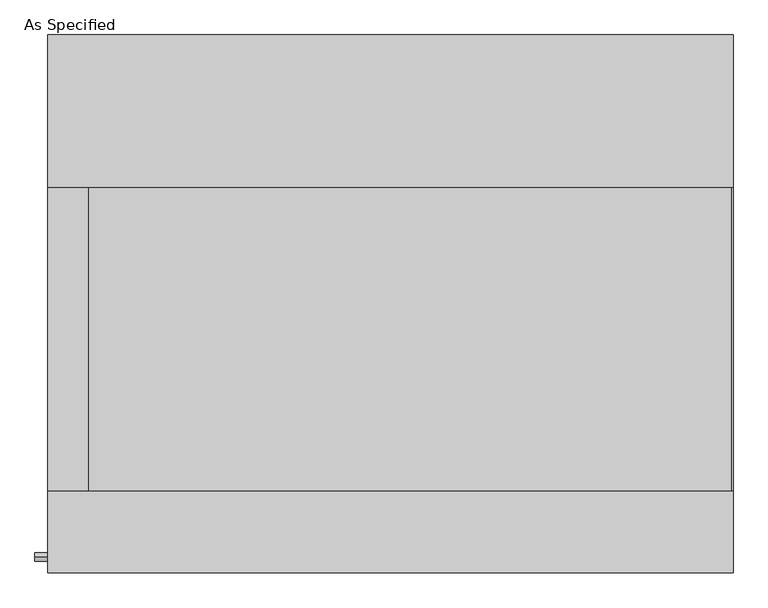
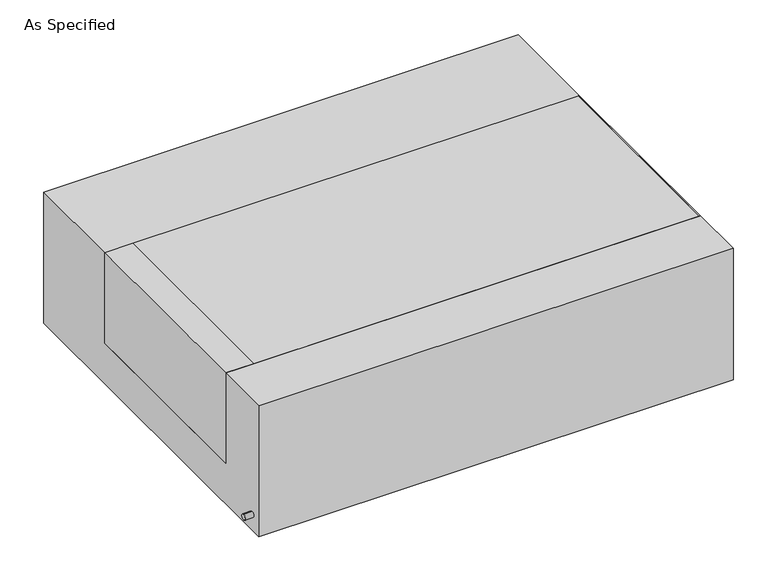
"""IFC4 building model written with IfcOpenShell, lengths in millimetres: proxy geometry, As Specified."""

from ifc_helpers import new_model, si_unit, point, frame, frame_2d, origin, place, context, project, spatial, polyline, circle_curve, trimmed, segment, composite_curve, outline, extrude, source, transform, mapped, element, save


def as_specified_5b241dd0(model_context):
    return source(origin(), model_context, "Body", "SweptSolid", [
        extrude(outline(composite_curve([segment(trimmed(circle_curve(frame_2d((-636.5875, -466.725)), 10.5), [point((-636.5875, -456.225))], [point((-636.5875, -477.225))], False, "CARTESIAN"), True, "CONTINUOUS"), segment(trimmed(circle_curve(frame_2d((-636.5875, -466.725)), 10.5), [point((-636.5875, -477.225))], [point((-636.5875, -456.225))], False, "CARTESIAN"), True, "CONTINUOUS")], self_intersect=False)), frame((-893.8528384, 0.0, 0.0), z_axis=(1.0, 0.0, 0.0), x_axis=(0.0, 1.0, 0.0)), (0.0, 0.0, 1.0), 31.8403384),
        extrude(outline(polyline([(-759.61875, 292.1), (-759.61875, -469.9), (-862.0125, -469.9), (-862.0125, 292.1), (-759.61875, 292.1)])), frame((0.0, 0.0, -373.0625), z_axis=(0.0, 0.0, 1.0), x_axis=(1.0, 0.0, 0.0)), (0.0, 0.0, 1.0), 347.6625),
        extrude(outline(polyline([(858.04375, 292.1), (862.0125, 292.1), (862.0125, -469.9), (858.04375, -469.9), (858.04375, 292.1)])), frame((0.0, 0.0, -39.6875), z_axis=(0.0, 0.0, 1.0), x_axis=(1.0, 0.0, 0.0)), (0.0, 0.0, 1.0), 14.2875),
        extrude(outline(polyline([(862.0125, 292.1), (862.0125, -469.9), (-759.61875, -469.9), (-759.61875, 292.1), (862.0125, 292.1)])), frame((0.0, 0.0, -373.0625), z_axis=(0.0, 0.0, 1.0), x_axis=(1.0, 0.0, 0.0)), (0.0, 0.0, 1.0), 347.6625),
        extrude(outline(polyline([(676.275, -25.4), (676.275, -530.225), (-676.275, -530.225), (-676.275, -25.4), (-469.9, -25.4), (-469.9, -373.0625), (292.1, -373.0625), (292.1, -25.4), (676.275, -25.4)])), frame((-862.0125, 0.0, 0.0), z_axis=(1.0, 0.0, 0.0), x_axis=(0.0, 1.0, 0.0)), (0.0, 0.0, 1.0), 1724.025),
    ])


if __name__ == "__main__":
    model = new_model("IFC4")
    model_context = context("Model", 3, world=origin())
    ifc_project = project(units=[si_unit("LENGTHUNIT", "METRE", prefix="MILLI")], contexts=[model_context])
    site = spatial("IfcSite", under=ifc_project)
    building = spatial("IfcBuilding", under=site)
    placement = place(None, origin())
    as_specified_shape = as_specified_5b241dd0(model_context)
    element("IfcBuildingElementProxy", 1, Name="As Specified", ObjectType="As Specified", at=placement, inside=building, context=model_context, shape_type="MappedRepresentation", body=[
        mapped(as_specified_shape, transform((0.0, 0.0, 0.0), x_axis=(1.0, 0.0, 0.0), y_axis=(0.0, 1.0, 0.0), z_axis=(0.0, 0.0, 1.0))),
    ])
    save(model, "model.ifc")
